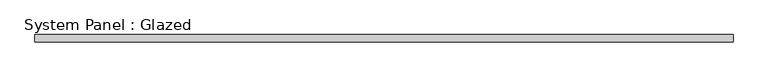
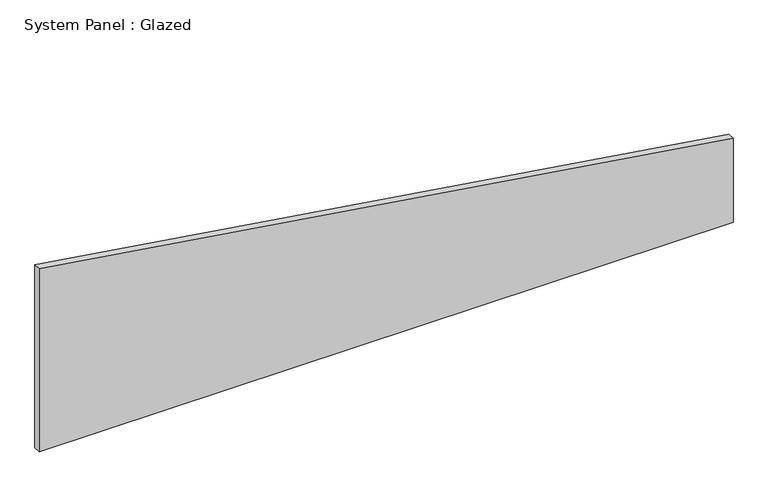
"""IFC4 building model written with IfcOpenShell, lengths in millimetres: plate geometry, System Panel : Glazed."""

from ifc_helpers import new_model, si_unit, frame, origin, place, context, project, spatial, polyline, outline, extrude, source, transform, mapped, element, save


def system_panel_glazed_2f97973b(model_context):
    return source(origin(), model_context, "Body", "SweptSolid", [
        extrude(outline(polyline([(0.0, -1171.7121958), (0.0, 1171.7121958), (298.4341153, 1171.7121958), (652.910541, -1171.7121958), (0.0, -1171.7121958)])), frame((0.0, 24.5, 0.0), z_axis=(0.0, 1.0, 0.0), x_axis=(0.0, 0.0, 1.0)), (0.0, 0.0, 1.0), 25.0),
    ])


if __name__ == "__main__":
    model = new_model("IFC4")
    model_context = context("Model", 3, world=origin())
    ifc_project = project(units=[si_unit("LENGTHUNIT", "METRE", prefix="MILLI")], contexts=[model_context])
    site = spatial("IfcSite", under=ifc_project)
    building = spatial("IfcBuilding", under=site)
    placement = place(None, origin())
    system_panel_glazed_shape = system_panel_glazed_2f97973b(model_context)
    element("IfcPlate", 1, ObjectType="System Panel : Glazed", at=placement, inside=building, context=model_context, shape_type="MappedRepresentation", body=[
        mapped(system_panel_glazed_shape, transform((0.0, 0.0, 0.0), x_axis=(1.0, 0.0, 0.0), y_axis=(0.0, 1.0, 0.0), z_axis=(0.0, 0.0, 1.0))),
    ])
    save(model, "model.ifc")
